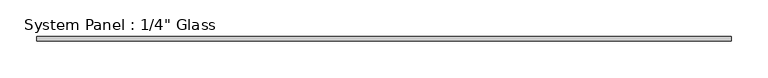
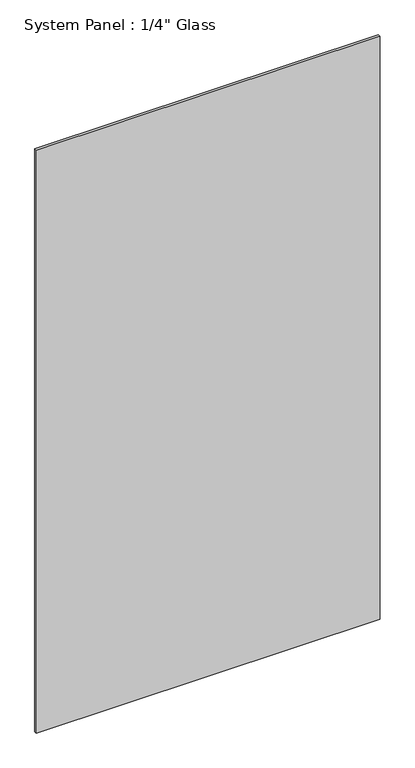
"""IFC4 building model written with IfcOpenShell, lengths in millimetres: plate geometry."""

from ifc_helpers import new_model, si_unit, origin, origin_with_axes, place, context, project, spatial, polyline, outline, extrude, source, transform, mapped, element, save


def plate_8ac6eb21(model_context):
    return source(origin(), model_context, "Body", "SweptSolid", [
        extrude(outline(polyline([(473.075, -3.175), (-473.075, -3.175), (-473.075, 3.175), (473.075, 3.175), (473.075, -3.175)])), origin_with_axes(), (0.0, 0.0, 1.0), 1695.45),
    ])


if __name__ == "__main__":
    model = new_model("IFC4")
    model_context = context("Model", 3, world=origin())
    ifc_project = project(units=[si_unit("LENGTHUNIT", "METRE", prefix="MILLI")], contexts=[model_context])
    site = spatial("IfcSite", under=ifc_project)
    building = spatial("IfcBuilding", under=site)
    placement = place(None, origin())
    plate_shape = plate_8ac6eb21(model_context)
    element("IfcPlate", 1, ObjectType="System Panel : 1/4\" Glass", at=placement, inside=building, context=model_context, shape_type="MappedRepresentation", body=[
        mapped(plate_shape, transform((0.0, 0.0, 0.0), x_axis=(1.0, 0.0, 0.0), y_axis=(0.0, 1.0, 0.0), z_axis=(0.0, 0.0, 1.0))),
    ])
    save(model, "model.ifc")
